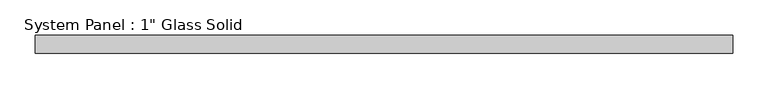
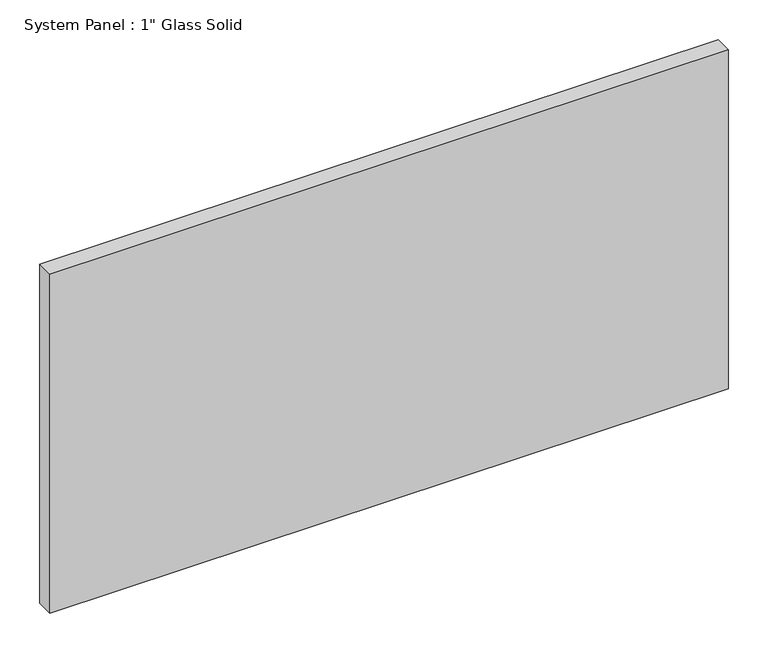
"""IFC4 building model written with IfcOpenShell, lengths in millimetres: plate geometry."""

import ifcopenshell
import ifcopenshell.guid

model = None  # the IFC model being written
_history = None  # IfcOwnerHistory: only IFC2X3 demands one
_inside = {}  # id of a spatial element -> (the spatial element, [elements in it])
_under = {}  # id of a project, library or spatial element -> (it, [spatial elements below it])
_declared = {}  # id of a project -> (the project, [libraries it declares])
_typed = {}  # id of a type object -> (the type object, [elements of that type])
_made_of = {}  # id of a material, layer set ... -> (it, [elements and type objects made of it])


def new_model(schema):
    """Start an empty IFC model of exactly this schema.

    Asked for "IFC4X3", IfcOpenShell would pick the latest addendum, in which some entities
    have other attributes; the version numbers below select the first issue.
    IFC2X3 requires an IfcOwnerHistory on every rooted entity: one is made here for all.
    """
    global model, _history
    if schema == "IFC4X3":
        model = ifcopenshell.file(schema_version=(4, 3, 0, 0))
    else:
        model = ifcopenshell.file(schema=schema)
    _inside.clear()
    _under.clear()
    _declared.clear()
    _typed.clear()
    _made_of.clear()
    _history = None
    if model.schema == "IFC2X3":
        org = make("IfcOrganization", Name="unknown")
        user = make(
            "IfcPersonAndOrganization",
            ThePerson=make("IfcPerson", FamilyName="unknown"),
            TheOrganization=org,
        )
        app = make(
            "IfcApplication",
            ApplicationDeveloper=org,
            Version="unknown",
            ApplicationFullName="unknown",
            ApplicationIdentifier="unknown",
        )
        _history = make(
            "IfcOwnerHistory",
            OwningUser=user,
            OwningApplication=app,
            ChangeAction="ADDED",
            CreationDate=0,
        )
    return model


def make(cls, **values):
    """One entity of the class cls with the attributes given. An attribute that is None is left unset."""
    return model.create_entity(
        cls, **{name: value for name, value in values.items() if value is not None}
    )


def rooted(cls, **values):
    """An entity with a GlobalId (a new one), such as an element, a storey or a relation."""
    return make(cls, GlobalId=ifcopenshell.guid.new(), OwnerHistory=_history, **values)


def si_unit(unit_type, name, prefix=None):
    """IfcSIUnit, for example si_unit("LENGTHUNIT", "METRE", prefix="MILLI")."""
    return make("IfcSIUnit", UnitType=unit_type, Prefix=prefix, Name=name)


def assignment(units):
    """IfcUnitAssignment: the units of a project."""
    return None if units is None else make("IfcUnitAssignment", Units=units)


def point(xyz):
    """IfcCartesianPoint."""
    return None if xyz is None else make("IfcCartesianPoint", Coordinates=xyz)


def direction(xyz):
    """IfcDirection."""
    return None if xyz is None else make("IfcDirection", DirectionRatios=xyz)


def frame(location, z_axis=None, x_axis=None):
    """IfcAxis2Placement3D, a coordinate frame: its origin and axes. An axis left out is left unset."""
    return make(
        "IfcAxis2Placement3D",
        Location=point(location),
        Axis=direction(z_axis),
        RefDirection=direction(x_axis),
    )


def origin():
    """The frame at (0, 0, 0) with its axes left unset."""
    return frame((0.0, 0.0, 0.0))


def origin_with_axes():
    """The frame at (0, 0, 0) with the z axis (0, 0, 1) and the x axis (1, 0, 0) written out."""
    return frame((0.0, 0.0, 0.0), z_axis=(0.0, 0.0, 1.0), x_axis=(1.0, 0.0, 0.0))


def place(relative_to, where):
    """IfcLocalPlacement: puts the frame where relative to a parent placement (None: the world)."""
    return make(
        "IfcLocalPlacement", PlacementRelTo=relative_to, RelativePlacement=where
    )


def context(
    kind, dimensions, precision=None, world=None, true_north=None, identifier=None
):
    """IfcGeometricRepresentationContext, for example the 3D "Model" context."""
    return make(
        "IfcGeometricRepresentationContext",
        ContextIdentifier=identifier,
        ContextType=kind,
        CoordinateSpaceDimension=dimensions,
        Precision=precision,
        WorldCoordinateSystem=world,
        TrueNorth=true_north,
    )


def project(units=None, contexts=None):
    """IfcProject with its units and contexts."""
    return rooted(
        "IfcProject",
        Name="project",
        RepresentationContexts=contexts,
        UnitsInContext=assignment(units),
    )


def spatial(cls, under=None, at=None, **own):
    """A site, building, storey or space (cls), placed at a placement, below another one or the project."""
    s = rooted(cls, ObjectPlacement=at, **own)
    if under is not None:
        _under.setdefault(under.id(), (under, []))[1].append(s)
    return s


def polyline(points):
    """IfcPolyline through the points."""
    return make("IfcPolyline", Points=[point(p) for p in points])


def outline(outer, holes=None, kind="AREA"):
    """IfcArbitraryClosedProfileDef: a profile drawn as a closed curve; with holes, ...WithVoids."""
    if holes is None:
        return make("IfcArbitraryClosedProfileDef", ProfileType=kind, OuterCurve=outer)
    return make(
        "IfcArbitraryProfileDefWithVoids",
        ProfileType=kind,
        OuterCurve=outer,
        InnerCurves=holes,
    )


def extrude(swept, where, along, depth):
    """IfcExtrudedAreaSolid: the profile swept, set in the frame where, extruded along a direction by depth."""
    return make(
        "IfcExtrudedAreaSolid",
        SweptArea=swept,
        Position=where,
        ExtrudedDirection=direction(along),
        Depth=depth,
    )


def shape(context_of_items, identifier, shape_type, items):
    """IfcShapeRepresentation: the items that make up one representation, for example the "Body"."""
    return make(
        "IfcShapeRepresentation",
        ContextOfItems=context_of_items,
        RepresentationIdentifier=identifier,
        RepresentationType=shape_type,
        Items=items,
    )


def source(mapping_origin, context_of_items, identifier, shape_type, items):
    """IfcRepresentationMap: a shape defined once, which mapped items show again and again."""
    return make(
        "IfcRepresentationMap",
        MappingOrigin=mapping_origin,
        MappedRepresentation=shape(context_of_items, identifier, shape_type, items),
    )


def transform(
    local_origin,
    x_axis=None,
    y_axis=None,
    z_axis=None,
    scale=None,
    scale2=None,
    scale3=None,
    uniform=True,
):
    """IfcCartesianTransformationOperator3D, or its non-uniform kind. x_axis, y_axis, z_axis: its Axis1, 2, 3."""
    if uniform:
        return make(
            "IfcCartesianTransformationOperator3D",
            Axis1=direction(x_axis),
            Axis2=direction(y_axis),
            LocalOrigin=point(local_origin),
            Scale=scale,
            Axis3=direction(z_axis),
        )
    return make(
        "IfcCartesianTransformationOperator3DnonUniform",
        Axis1=direction(x_axis),
        Axis2=direction(y_axis),
        LocalOrigin=point(local_origin),
        Scale=scale,
        Axis3=direction(z_axis),
        Scale2=scale2,
        Scale3=scale3,
    )


def mapped(mapping_source, mapping_target):
    """IfcMappedItem: shows the shape of a source again, moved by a transform."""
    return make(
        "IfcMappedItem", MappingSource=mapping_source, MappingTarget=mapping_target
    )


def made_of(thing, what):
    """Note that an element or type object is made of a material, layer set ...; save() writes the relation."""
    if what is not None:
        _made_of.setdefault(what.id(), (what, []))[1].append(thing)
    return thing


def element(
    cls,
    number,
    at=None,
    inside=None,
    cuts=None,
    type_object=None,
    material=None,
    context=None,
    identifier="Body",
    shape_type=None,
    held_by="IfcProductDefinitionShape",
    body=None,
    shapes=None,
    **own,
):
    """One element of the class cls, such as IfcWall. Its Tag is "e" and its number.

    at: its placement. inside: the storey or other place that contains it. cuts: it is an
    opening in that element (IfcRelVoidsElement). A single representation is given by context,
    identifier, shape_type and body (its items); several are given by shapes. held_by: the class
    of the entity that holds the representations. save() writes the other relations.
    """
    e = rooted(cls, Tag="e%d" % number, ObjectPlacement=at, **own)
    if body is not None:
        shapes = [shape(context, identifier, shape_type, body)]
    if shapes is not None:
        e.Representation = make(held_by, Representations=shapes)
    if inside is not None:
        _inside.setdefault(inside.id(), (inside, []))[1].append(e)
    if cuts is not None:
        rooted(
            "IfcRelVoidsElement", RelatingBuildingElement=cuts, RelatedOpeningElement=e
        )
    if type_object is not None:
        _typed.setdefault(type_object.id(), (type_object, []))[1].append(e)
    return made_of(e, material)


def aggregate(whole, parts):
    """IfcRelAggregates: a whole, such as a stair, and the parts it consists of."""
    return rooted("IfcRelAggregates", RelatingObject=whole, RelatedObjects=parts)


def save(model, path):
    """Write the relations noted so far, then the file.

    IfcRelAggregates (storeys below a building ...), IfcRelContainedInSpatialStructure (elements
    in a storey), IfcRelDefinesByType, IfcRelAssociatesMaterial and IfcRelDeclares: one each for
    every whole, place, type object, material and project.
    """
    for whole, parts in _under.values():
        aggregate(whole, parts)
    for where, things in _inside.values():
        rooted(
            "IfcRelContainedInSpatialStructure",
            RelatedElements=things,
            RelatingStructure=where,
        )
    for kind, things in _typed.values():
        rooted("IfcRelDefinesByType", RelatedObjects=things, RelatingType=kind)
    for what, things in _made_of.values():
        rooted("IfcRelAssociatesMaterial", RelatedObjects=things, RelatingMaterial=what)
    for by, libraries in _declared.values():
        rooted("IfcRelDeclares", RelatingContext=by, RelatedDefinitions=libraries)
    model.write(path)


def plate_71f02249(model_context):
    return source(origin(), model_context, "Body", "SweptSolid", [
        extrude(outline(polyline([(492.1258852, -12.7), (-492.1258852, -12.7), (-492.1258852, 12.7), (492.1258852, 12.7), (492.1258852, -12.7)])), origin_with_axes(), (0.0, 0.0, 1.0), 519.5423678),
    ])


if __name__ == "__main__":
    model = new_model("IFC4")
    model_context = context("Model", 3, world=origin())
    ifc_project = project(units=[si_unit("LENGTHUNIT", "METRE", prefix="MILLI")], contexts=[model_context])
    site = spatial("IfcSite", under=ifc_project)
    building = spatial("IfcBuilding", under=site)
    placement = place(None, origin())
    plate_shape = plate_71f02249(model_context)
    element("IfcPlate", 1, ObjectType="System Panel : 1\" Glass Solid", at=placement, inside=building, context=model_context, shape_type="MappedRepresentation", body=[
        mapped(plate_shape, transform((0.0, 0.0, 0.0), x_axis=(1.0, 0.0, 0.0), y_axis=(0.0, 1.0, 0.0), z_axis=(0.0, 0.0, 1.0))),
    ])
    save(model, "model.ifc")
